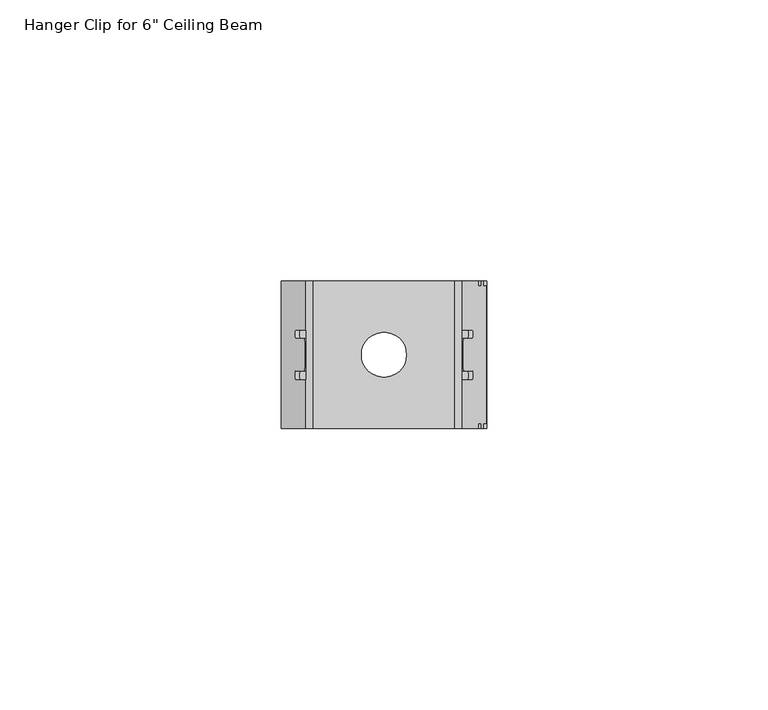
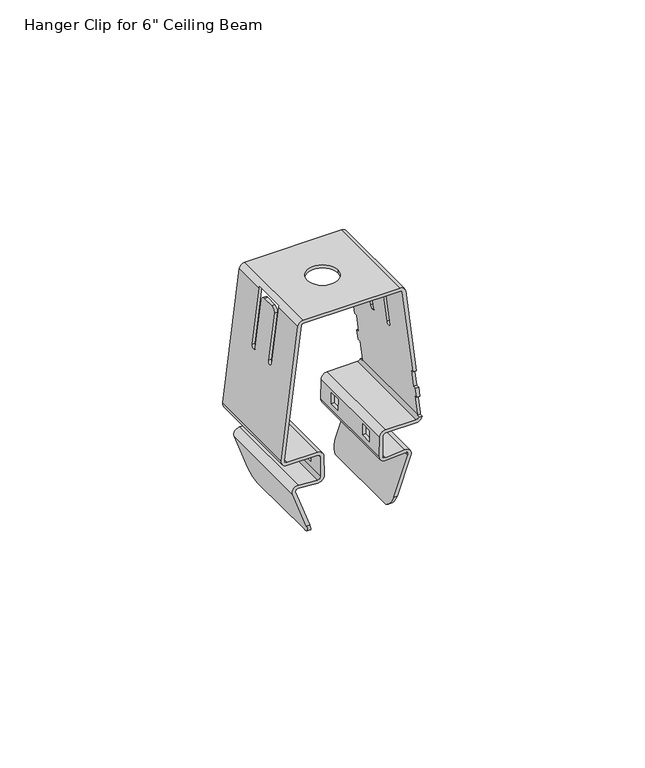
"""IFC4 building model written with IfcOpenShell, lengths in millimetres: proxy geometry."""

from ifc_helpers import new_model, si_unit, frame, origin, place, context, project, spatial, polyline, circle_curve, ellipse_curve, source, transform, mapped, element, save
from ifc_brep_helpers import plane_surface, cylinder_surface, revolved_surface, advanced_brep


def proxy_375622e8(model_context):
    return source(origin(), model_context, "Body", "AdvancedBrep", [
        advanced_brep(
        [(28.4451199, -13.145, 142.6422702), (26.9049962, -13.145, 144.683675), (21.8938975, -13.145, 144.3275562), (21.0779975, -13.145, 145.100938), (21.1703061, -13.145, 150.3892987), (21.9321901, -13.145, 151.138), (29.8768681, -13.145, 151.138), (31.3781782, -13.145, 152.4), (30.5410608, -13.145, 152.4), (29.8768681, -13.145, 151.948), (21.9321901, -13.145, 151.948), (20.3604295, -13.145, 150.4034352), (20.2681208, -13.145, 145.1150744), (21.9513162, -13.145, 143.5195939), (26.9624149, -13.145, 143.8757127), (27.6839689, -13.145, 142.9193065), (23.9835423, -13.145, 132.752468), (24.8455263, -13.145, 132.752468), (27.044677, -13.145, 188.2335409), (25.6580901, -13.145, 189.4602895), (0.5419099, -13.145, 189.4602895), (-0.844677, -13.145, 188.2335409), (-5.1895084, -13.145, 152.8477289), (-3.6768681, -13.145, 151.138), (4.2678099, -13.145, 151.138), (5.0296939, -13.145, 150.3892987), (5.1220025, -13.145, 145.100938), (4.3061025, -13.145, 144.3275562), (-0.7049962, -13.145, 144.683675), (-2.2451199, -13.145, 142.6422702), (1.3544737, -13.145, 132.752468), (2.2164577, -13.145, 132.752468), (-1.4839689, -13.145, 142.9193065), (-0.7624149, -13.145, 143.8757127), (4.2486838, -13.145, 143.5195939), (5.9318792, -13.145, 145.1150744), (5.8395705, -13.145, 150.4034352), (4.2678099, -13.145, 151.948), (-3.6768681, -13.145, 151.948), (-4.3855461, -13.145, 152.7490147), (-0.0407147, -13.145, 188.1348268), (0.5419099, -13.145, 188.6502895), (25.6580901, -13.145, 188.6502895), (26.2407147, -13.145, 188.1348268), (29.0322004, -13.145, 165.4), (29.8482833, -13.145, 165.4), (30.7522127, -13.145, 158.0380864), (30.4299883, -13.145, 160.6623931), (29.6139054, -13.145, 160.6623931), (29.9361297, -13.145, 158.0380864), (27.6839689, 13.145, 142.9193065), (26.9624149, 13.145, 143.8757127), (21.9513162, 13.145, 143.5195939), (20.2681208, 13.145, 145.1150744), (20.3604295, 13.145, 150.4034352), (21.9321901, 13.145, 151.948), (29.8768681, 13.145, 151.948), (30.5410608, 13.145, 152.4), (31.3781782, 13.145, 152.4), (29.8768681, 13.145, 151.138), (21.9321901, 13.145, 151.138), (21.1703061, 13.145, 150.3892987), (21.0779975, 13.145, 145.100938), (21.8938975, 13.145, 144.3275562), (26.9049962, 13.145, 144.683675), (28.4451199, 13.145, 142.6422702), (24.8455263, 13.145, 132.752468), (23.9835423, 13.145, 132.752468), (26.2407147, 13.145, 188.1348268), (25.6580901, 13.145, 188.6502895), (0.5419099, 13.145, 188.6502895), (-0.0407147, 13.145, 188.1348268), (-4.3855461, 13.145, 152.7490147), (-3.6768681, 13.145, 151.948), (4.2678099, 13.145, 151.948), (5.8395705, 13.145, 150.4034352), (5.9318792, 13.145, 145.1150744), (4.2486838, 13.145, 143.5195939), (-0.7624149, 13.145, 143.8757127), (-1.4839689, 13.145, 142.9193065), (2.2164577, 13.145, 132.752468), (1.3544737, 13.145, 132.752468), (-2.2451199, 13.145, 142.6422702), (-0.7049962, 13.145, 144.683675), (4.3061025, 13.145, 144.3275562), (5.1220025, 13.145, 145.100938), (5.0296939, 13.145, 150.3892987), (4.2678099, 13.145, 151.138), (-3.6768681, 13.145, 151.138), (-5.1895084, 13.145, 152.8477289), (-0.844677, 13.145, 188.2335409), (0.5419099, 13.145, 189.4602895), (25.6580901, 13.145, 189.4602895), (27.044677, 13.145, 188.2335409), (29.8482833, 13.145, 165.4), (29.0322004, 13.145, 165.4), (29.9361297, 13.145, 158.0380864), (29.6139054, 13.145, 160.6623931), (30.4299883, 13.145, 160.6623931), (30.7522127, 13.145, 158.0380864), (21.1021925, 5.5649765, 146.4870692), (21.1545577, 5.5649765, 149.4870692), (21.1545577, 8.5649765, 149.4870692), (21.1021925, 8.5649765, 146.4870692), (21.1545577, -8.5649765, 149.4870692), (21.1545577, -5.5649765, 149.4870692), (21.1021925, -5.5649765, 146.4870692), (21.1021925, -8.5649765, 146.4870692), (31.3781782, 12.245, 152.4), (31.3895084, 12.245, 152.8477289), (31.3895084, -12.245, 152.8477289), (31.3781782, -12.245, 152.4), (27.044677, 4.445, 188.2335409), (28.8693791, 4.445, 173.3725352), (28.8693791, 2.921, 173.3725352), (27.3478871, 2.921, 185.7640928), (27.1987644, 1.651, 186.9785999), (27.1987644, -1.651, 186.9785999), (27.3478871, -2.921, 185.7640928), (28.8683122, -2.921, 173.3812245), (28.8693791, -4.445, 173.3725352), (27.044677, -4.445, 188.2335409), (29.8482833, -12.245, 165.4), (30.4299883, -12.245, 160.6623931), (30.7522127, -12.245, 158.0380864), (30.7522127, 12.245, 158.0380864), (30.4299883, 12.245, 160.6623931), (29.8482833, 12.245, 165.4), (26.9257809, -4.445, 188.6502895), (26.9257809, 4.445, 188.6502895), (9.1, 0.0, 189.4602895), (17.1, 0.0, 189.4602895), (-0.844677, 4.445, 188.2335409), (-0.7257809, 4.445, 188.6502895), (-0.7257809, -4.445, 188.6502895), (-0.844677, -4.445, 188.2335409), (-2.6693791, -4.445, 173.3725352), (-2.6683122, -2.921, 173.3812245), (-1.1478871, -2.921, 185.7640928), (-0.9987644, -1.651, 186.9785999), (-0.9987644, 1.651, 186.9785999), (-1.1478871, 2.921, 185.7640928), (-2.6693791, 2.921, 173.3725352), (-2.6693791, 4.445, 173.3725352), (5.0454423, 5.5649765, 149.4870692), (5.0978075, 5.5649765, 146.4870692), (5.0978075, 8.5649765, 146.4870692), (5.0454423, 8.5649765, 149.4870692), (5.0454423, -5.5649765, 149.4870692), (5.0454423, -8.5649765, 149.4870692), (5.0978075, -8.5649765, 146.4870692), (5.0978075, -5.5649765, 146.4870692), (2.4466015, 10.1552022, 129.7518714), (2.4466015, -10.1552022, 129.7518714), (3.2077526, 11.3428624, 130.0289077), (3.2077526, -11.3428624, 130.0289077), (5.9079309, 5.5649765, 146.4870692), (5.8555657, 5.5649765, 149.4870692), (5.8555657, 8.5649765, 149.4870692), (5.9079309, 8.5649765, 146.4870692), (5.8555657, -8.5649765, 149.4870692), (5.8555657, -5.5649765, 149.4870692), (5.9079309, -5.5649765, 146.4870692), (5.9079309, -8.5649765, 146.4870692), (-0.0407147, 4.445, 188.1348268), (-1.8532962, 4.445, 173.3725352), (-1.8532962, 2.921, 173.3725352), (-0.3318042, 2.921, 185.7640928), (-0.1826815, 1.651, 186.9785999), (-0.1826815, -1.651, 186.9785999), (-0.3318042, -2.921, 185.7640928), (-1.8522292, -2.921, 173.3812245), (-1.8532962, -4.445, 173.3725352), (-0.0407147, -4.445, 188.1348268), (0.5419099, -4.445, 188.6502895), (0.5419099, 4.445, 188.6502895), (25.6580901, 4.445, 188.6502895), (25.6580901, -4.445, 188.6502895), (17.1, 0.0, 188.6502895), (9.1, 0.0, 188.6502895), (26.2407147, -4.445, 188.1348268), (26.2407147, 4.445, 188.1348268), (29.0322004, 12.245, 165.4), (29.6139054, 12.245, 160.6623931), (29.9361297, 12.245, 158.0380864), (30.5855461, 12.245, 152.7490147), (30.5855461, -12.245, 152.7490147), (29.9361297, -12.245, 158.0380864), (29.6139054, -12.245, 160.6623931), (29.0322004, -12.245, 165.4), (28.0532962, -4.445, 173.3725352), (28.0522292, -2.921, 173.3812245), (26.5318042, -2.921, 185.7640928), (26.3826815, -1.651, 186.9785999), (26.3826815, 1.651, 186.9785999), (26.5318042, 2.921, 185.7640928), (28.0532962, 2.921, 173.3725352), (28.0532962, 4.445, 173.3725352), (30.5410608, -12.245, 152.4), (30.5410608, 12.245, 152.4), (20.3444343, 5.5649765, 149.4870692), (20.2920691, 5.5649765, 146.4870692), (20.2920691, 8.5649765, 146.4870692), (20.3444343, 8.5649765, 149.4870692), (20.3444343, -5.5649765, 149.4870692), (20.3444343, -8.5649765, 149.4870692), (20.2920691, -8.5649765, 146.4870692), (20.2920691, -5.5649765, 146.4870692), (22.9922474, 11.3428624, 130.0289077), (22.9922474, -11.3428624, 130.0289077), (23.7533985, 10.1552022, 129.7518714), (23.7533985, -10.1552022, 129.7518714)],
        [
            (0, 1, circle_curve(frame((27.0130284, -13.145, 143.1635089), z_axis=(0.0, -1.0, 0.0), x_axis=(-1.0, 0.0, 0.0)), 1.524)),
            (1, 2),
            (2, 3, circle_curve(frame((21.8398814, -13.145, 145.0876392), z_axis=(0.0, 1.0, 0.0), x_axis=(-1.0, 0.0, 0.0)), 0.762)),
            (3, 4),
            (4, 5, circle_curve(frame((21.9321901, -13.145, 150.376), z_axis=(0.0, 1.0, 0.0), x_axis=(-1.0, 0.0, 0.0)), 0.762)),
            (5, 6),
            (6, 7, circle_curve(frame((29.8768681, -13.145, 152.662), z_axis=(0.0, -1.0, 0.0), x_axis=(-1.0, 0.0, 0.0)), 1.524)),
            (7, 8),
            (8, 9, circle_curve(frame((29.8768681, -13.145, 152.662), z_axis=(0.0, 1.0, 0.0), x_axis=(-1.0, 0.0, 0.0)), 0.714)),
            (9, 10),
            (10, 11, circle_curve(frame((21.9321901, -13.145, 150.376), z_axis=(0.0, -1.0, 0.0), x_axis=(-1.0, 0.0, 0.0)), 1.572)),
            (11, 12),
            (12, 13, circle_curve(frame((21.8398814, -13.145, 145.0876392), z_axis=(0.0, -1.0, 0.0), x_axis=(-1.0, 0.0, 0.0)), 1.572)),
            (13, 14),
            (14, 15, circle_curve(frame((27.0130284, -13.145, 143.1635089), z_axis=(0.0, 1.0, 0.0), x_axis=(-1.0, 0.0, 0.0)), 0.714)),
            (15, 16),
            (16, 17),
            (17, 0),
            (18, 19, circle_curve(frame((25.6580901, -13.145, 188.0632895), z_axis=(0.0, -1.0, 0.0), x_axis=(-1.0, 0.0, 0.0)), 1.397)),
            (19, 20),
            (20, 21, circle_curve(frame((0.5419099, -13.145, 188.0632895), z_axis=(0.0, -1.0, 0.0), x_axis=(-1.0, 0.0, 0.0)), 1.397)),
            (21, 22),
            (22, 23, circle_curve(frame((-3.6768681, -13.145, 152.662), z_axis=(0.0, -1.0, 0.0), x_axis=(-1.0, 0.0, 0.0)), 1.524)),
            (23, 24),
            (24, 25, circle_curve(frame((4.2678099, -13.145, 150.376), z_axis=(0.0, 1.0, 0.0), x_axis=(-1.0, 0.0, 0.0)), 0.762)),
            (25, 26),
            (26, 27, circle_curve(frame((4.3601186, -13.145, 145.0876392), z_axis=(0.0, 1.0, 0.0), x_axis=(-1.0, 0.0, 0.0)), 0.762)),
            (27, 28),
            (28, 29, circle_curve(frame((-0.8130284, -13.145, 143.1635089), z_axis=(0.0, -1.0, 0.0), x_axis=(-1.0, 0.0, 0.0)), 1.524)),
            (29, 30),
            (30, 31),
            (31, 32),
            (32, 33, circle_curve(frame((-0.8130284, -13.145, 143.1635089), z_axis=(0.0, 1.0, 0.0), x_axis=(-1.0, 0.0, 0.0)), 0.714)),
            (33, 34),
            (34, 35, circle_curve(frame((4.3601186, -13.145, 145.0876392), z_axis=(0.0, -1.0, 0.0), x_axis=(-1.0, 0.0, 0.0)), 1.572)),
            (35, 36),
            (36, 37, circle_curve(frame((4.2678099, -13.145, 150.376), z_axis=(0.0, -1.0, 0.0), x_axis=(-1.0, 0.0, 0.0)), 1.572)),
            (37, 38),
            (38, 39, circle_curve(frame((-3.6768681, -13.145, 152.662), z_axis=(0.0, 1.0, 0.0), x_axis=(-1.0, 0.0, 0.0)), 0.714)),
            (39, 40),
            (40, 41, circle_curve(frame((0.5419099, -13.145, 188.0632895), z_axis=(0.0, 1.0, 0.0), x_axis=(-1.0, 0.0, 0.0)), 0.587)),
            (41, 42),
            (42, 43, circle_curve(frame((25.6580901, -13.145, 188.0632895), z_axis=(0.0, 1.0, 0.0), x_axis=(-1.0, 0.0, 0.0)), 0.587)),
            (43, 44),
            (44, 45),
            (45, 18),
            (46, 47),
            (47, 48),
            (48, 49),
            (49, 46),
            (50, 51, circle_curve(frame((27.0130284, 13.145, 143.1635089), z_axis=(0.0, -1.0, 0.0), x_axis=(-1.0, 0.0, 0.0)), 0.714)),
            (51, 52),
            (52, 53, circle_curve(frame((21.8398814, 13.145, 145.0876392), z_axis=(0.0, 1.0, 0.0), x_axis=(-1.0, 0.0, 0.0)), 1.572)),
            (53, 54),
            (54, 55, circle_curve(frame((21.9321901, 13.145, 150.376), z_axis=(0.0, 1.0, 0.0), x_axis=(-1.0, 0.0, 0.0)), 1.572)),
            (55, 56),
            (56, 57, circle_curve(frame((29.8768681, 13.145, 152.662), z_axis=(0.0, -1.0, 0.0), x_axis=(-1.0, 0.0, 0.0)), 0.714)),
            (57, 58),
            (58, 59, circle_curve(frame((29.8768681, 13.145, 152.662), z_axis=(0.0, 1.0, 0.0), x_axis=(-1.0, 0.0, 0.0)), 1.524)),
            (59, 60),
            (60, 61, circle_curve(frame((21.9321901, 13.145, 150.376), z_axis=(0.0, -1.0, 0.0), x_axis=(-1.0, 0.0, 0.0)), 0.762)),
            (61, 62),
            (62, 63, circle_curve(frame((21.8398814, 13.145, 145.0876392), z_axis=(0.0, -1.0, 0.0), x_axis=(-1.0, 0.0, 0.0)), 0.762)),
            (63, 64),
            (64, 65, circle_curve(frame((27.0130284, 13.145, 143.1635089), z_axis=(0.0, 1.0, 0.0), x_axis=(-1.0, 0.0, 0.0)), 1.524)),
            (65, 66),
            (66, 67),
            (67, 50),
            (68, 69, circle_curve(frame((25.6580901, 13.145, 188.0632895), z_axis=(0.0, -1.0, 0.0), x_axis=(-1.0, 0.0, 0.0)), 0.587)),
            (69, 70),
            (70, 71, circle_curve(frame((0.5419099, 13.145, 188.0632895), z_axis=(0.0, -1.0, 0.0), x_axis=(-1.0, 0.0, 0.0)), 0.587)),
            (71, 72),
            (72, 73, circle_curve(frame((-3.6768681, 13.145, 152.662), z_axis=(0.0, -1.0, 0.0), x_axis=(-1.0, 0.0, 0.0)), 0.714)),
            (73, 74),
            (74, 75, circle_curve(frame((4.2678099, 13.145, 150.376), z_axis=(0.0, 1.0, 0.0), x_axis=(-1.0, 0.0, 0.0)), 1.572)),
            (75, 76),
            (76, 77, circle_curve(frame((4.3601186, 13.145, 145.0876392), z_axis=(0.0, 1.0, 0.0), x_axis=(-1.0, 0.0, 0.0)), 1.572)),
            (77, 78),
            (78, 79, circle_curve(frame((-0.8130284, 13.145, 143.1635089), z_axis=(0.0, -1.0, 0.0), x_axis=(-1.0, 0.0, 0.0)), 0.714)),
            (79, 80),
            (80, 81),
            (81, 82),
            (82, 83, circle_curve(frame((-0.8130284, 13.145, 143.1635089), z_axis=(0.0, 1.0, 0.0), x_axis=(-1.0, 0.0, 0.0)), 1.524)),
            (83, 84),
            (84, 85, circle_curve(frame((4.3601186, 13.145, 145.0876392), z_axis=(0.0, -1.0, 0.0), x_axis=(-1.0, 0.0, 0.0)), 0.762)),
            (85, 86),
            (86, 87, circle_curve(frame((4.2678099, 13.145, 150.376), z_axis=(0.0, -1.0, 0.0), x_axis=(-1.0, 0.0, 0.0)), 0.762)),
            (87, 88),
            (88, 89, circle_curve(frame((-3.6768681, 13.145, 152.662), z_axis=(0.0, 1.0, 0.0), x_axis=(-1.0, 0.0, 0.0)), 1.524)),
            (89, 90),
            (90, 91, circle_curve(frame((0.5419099, 13.145, 188.0632895), z_axis=(0.0, 1.0, 0.0), x_axis=(-1.0, 0.0, 0.0)), 1.397)),
            (91, 92),
            (92, 93, circle_curve(frame((25.6580901, 13.145, 188.0632895), z_axis=(0.0, 1.0, 0.0), x_axis=(-1.0, 0.0, 0.0)), 1.397)),
            (93, 94),
            (94, 95),
            (95, 68),
            (96, 97),
            (97, 98),
            (98, 99),
            (99, 96),
            (0, 65),
            (64, 1),
            (63, 2),
            (62, 3),
            (61, 4),
            (100, 101),
            (101, 102),
            (102, 103),
            (103, 100),
            (104, 105),
            (105, 106),
            (106, 107),
            (107, 104),
            (60, 5),
            (59, 6),
            (58, 108),
            (108, 109, circle_curve(frame((29.8768681, 12.245, 152.662), z_axis=(0.0, -1.0, 0.0), x_axis=(-1.0, 0.0, 0.0)), 1.524)),
            (109, 110),
            (110, 111, circle_curve(frame((29.8768681, -12.245, 152.662), z_axis=(0.0, 1.0, 0.0), x_axis=(-1.0, 0.0, 0.0)), 1.524)),
            (111, 7),
            (93, 112),
            (112, 113),
            (113, 114, ellipse_curve(frame((28.8688456, 3.683, 173.3768799), z_axis=(-0.9925461516413255, 0.0, -0.1218693434051193), x_axis=(0.12186934340511875, 0.0, -0.9925461516413258)), 0.767735, 0.7620124)),
            (114, 115),
            (115, 116, ellipse_curve(frame((27.3513718, 1.6781403, 185.7357125), z_axis=(0.9925461516413255, 0.0, 0.1218693434051193), x_axis=(-0.12186934340511875, 0.0, 0.9925461516413258)), 1.2525198, 1.2431837)),
            (116, 117),
            (117, 118, ellipse_curve(frame((27.3513718, -1.6781403, 185.7357125), z_axis=(0.9925461516413255, 0.0, 0.1218693434051193), x_axis=(-0.12186934340511875, 0.0, 0.9925461516413258)), 1.2525198, 1.2431837)),
            (118, 119),
            (119, 120, ellipse_curve(frame((28.8688456, -3.683, 173.3768799), z_axis=(-0.9925461516413255, 0.0, -0.1218693434051193), x_axis=(0.12186934340511875, 0.0, -0.9925461516413258)), 0.767735, 0.7620124)),
            (120, 121),
            (121, 18),
            (45, 122),
            (122, 123),
            (123, 47),
            (46, 124),
            (124, 110),
            (109, 125),
            (125, 99),
            (98, 126),
            (126, 127),
            (127, 94),
            (121, 128, circle_curve(frame((25.6580901, -4.445, 188.0632895), z_axis=(0.0, -1.0, 0.0), x_axis=(-1.0, 0.0, 0.0)), 1.397)),
            (128, 129),
            (129, 112, circle_curve(frame((25.6580901, 4.445, 188.0632895), z_axis=(0.0, 1.0, 0.0), x_axis=(-1.0, 0.0, 0.0)), 1.397)),
            (92, 19),
            (91, 20),
            (130, 131, circle_curve(frame((13.1, 0.0, 189.4602895), z_axis=(0.0, 0.0, -1.0), x_axis=(1.0, 0.0, 0.0)), 4.0)),
            (131, 130, circle_curve(frame((13.1, 0.0, 189.4602895), z_axis=(0.0, 0.0, -1.0), x_axis=(1.0, 0.0, 0.0)), 4.0)),
            (90, 132),
            (132, 133, circle_curve(frame((0.5419099, 4.445, 188.0632895), z_axis=(0.0, 1.0, 0.0), x_axis=(-1.0, 0.0, 0.0)), 1.397)),
            (133, 134),
            (134, 135, circle_curve(frame((0.5419099, -4.445, 188.0632895), z_axis=(0.0, -1.0, 0.0), x_axis=(-1.0, 0.0, 0.0)), 1.397)),
            (135, 21),
            (135, 136),
            (136, 137, ellipse_curve(frame((-2.6688456, -3.683, 173.3768799), z_axis=(0.9925461516413226, 0.0, -0.12186934340514273), x_axis=(0.12186934340514266, 0.0, 0.9925461516413225)), 0.767735, 0.7620124)),
            (137, 138),
            (138, 139, ellipse_curve(frame((-1.1513718, -1.6781403, 185.7357125), z_axis=(-0.9925461516413226, 0.0, 0.12186934340514273), x_axis=(-0.12186934340514266, 0.0, -0.9925461516413225)), 1.2525198, 1.2431837)),
            (139, 140),
            (140, 141, ellipse_curve(frame((-1.1513718, 1.6781403, 185.7357125), z_axis=(-0.9925461516413226, 0.0, 0.12186934340514273), x_axis=(-0.12186934340514266, 0.0, -0.9925461516413225)), 1.2525198, 1.2431837)),
            (141, 142),
            (142, 143, ellipse_curve(frame((-2.6688456, 3.683, 173.3768799), z_axis=(0.9925461516413226, 0.0, -0.12186934340514273), x_axis=(0.12186934340514266, 0.0, 0.9925461516413225)), 0.767735, 0.7620124)),
            (143, 132),
            (89, 22),
            (88, 23),
            (87, 24),
            (86, 25),
            (85, 26),
            (144, 145),
            (145, 146),
            (146, 147),
            (147, 144),
            (148, 149),
            (149, 150),
            (150, 151),
            (151, 148),
            (84, 27),
            (83, 28),
            (82, 29),
            (81, 152, ellipse_curve(frame((1.3247236, 10.0623511, 132.8342056), z_axis=(-0.9396926207858912, 0.0, -0.3420201433257159), x_axis=(-0.3420201433257159, 0.0, 0.9396926207858911)), 3.2816394, 3.0837323)),
            (152, 153),
            (153, 30, ellipse_curve(frame((1.3247236, -10.0623511, 132.8342056), z_axis=(-0.9396926207858912, 0.0, -0.3420201433257159), x_axis=(-0.3420201433257159, 0.0, 0.9396926207858911)), 3.2816394, 3.0837323)),
            (152, 154, ellipse_curve(frame((10.915245, 10.0623511, 132.8342056), z_axis=(0.3420201433256964, 0.0, -0.9396926207858983), x_axis=(-0.9396926207858983, 0.0, -0.3420201433256964)), 9.0162302, 3.0837323)),
            (154, 155),
            (155, 153, ellipse_curve(frame((10.915245, -10.0623511, 132.8342056), z_axis=(0.3420201433256964, 0.0, -0.9396926207858983), x_axis=(-0.9396926207858983, 0.0, -0.3420201433256964)), 9.0162302, 3.0837323)),
            (79, 32),
            (31, 155, ellipse_curve(frame((2.1867076, -10.0623511, 132.8342056), z_axis=(0.9396926207858942, 0.0, 0.34202014332570757), x_axis=(-0.3420201433257077, 0.0, 0.9396926207858943)), 3.2816394, 3.0837323)),
            (154, 80, ellipse_curve(frame((2.1867076, 10.0623511, 132.8342056), z_axis=(0.9396926207858942, 0.0, 0.34202014332570757), x_axis=(-0.3420201433257077, 0.0, 0.9396926207858943)), 3.2816394, 3.0837323)),
            (78, 33),
            (77, 34),
            (76, 35),
            (75, 36),
            (156, 157),
            (157, 158),
            (158, 159),
            (159, 156),
            (160, 161),
            (161, 162),
            (162, 163),
            (163, 160),
            (74, 37),
            (73, 38),
            (72, 39),
            (71, 164),
            (164, 165),
            (165, 166, ellipse_curve(frame((-1.8527627, 3.683, 173.3768799), z_axis=(-0.9925461516413233, 0.0, 0.12186934340513758), x_axis=(0.12186934340513687, 0.0, 0.9925461516413233)), 0.767735, 0.7620124)),
            (166, 167),
            (167, 168, ellipse_curve(frame((-0.3352889, 1.6781403, 185.7357125), z_axis=(0.9925461516413233, 0.0, -0.12186934340513758), x_axis=(-0.12186934340513687, 0.0, -0.9925461516413233)), 1.2525198, 1.2431837)),
            (168, 169),
            (169, 170, ellipse_curve(frame((-0.3352889, -1.6781403, 185.7357125), z_axis=(0.9925461516413233, 0.0, -0.12186934340513758), x_axis=(-0.12186934340513687, 0.0, -0.9925461516413233)), 1.2525198, 1.2431837)),
            (170, 171),
            (171, 172, ellipse_curve(frame((-1.8527627, -3.683, 173.3768799), z_axis=(-0.9925461516413233, 0.0, 0.12186934340513758), x_axis=(0.12186934340513687, 0.0, 0.9925461516413233)), 0.767735, 0.7620124)),
            (172, 173),
            (173, 40),
            (173, 174, circle_curve(frame((0.5419099, -4.445, 188.0632895), z_axis=(0.0, 1.0, 0.0), x_axis=(-1.0, 0.0, 0.0)), 0.587)),
            (174, 41),
            (70, 175),
            (175, 164, circle_curve(frame((0.5419099, 4.445, 188.0632895), z_axis=(0.0, -1.0, 0.0), x_axis=(-1.0, 0.0, 0.0)), 0.587)),
            (174, 134),
            (133, 175),
            (69, 176),
            (176, 129),
            (128, 177),
            (177, 42),
            (178, 179, circle_curve(frame((13.1, 0.0, 188.6502895), z_axis=(0.0, 0.0, 1.0), x_axis=(1.0, 0.0, 0.0)), 4.0)),
            (179, 178, circle_curve(frame((13.1, 0.0, 188.6502895), z_axis=(0.0, 0.0, 1.0), x_axis=(1.0, 0.0, 0.0)), 4.0)),
            (177, 180, circle_curve(frame((25.6580901, -4.445, 188.0632895), z_axis=(0.0, 1.0, 0.0), x_axis=(-1.0, 0.0, 0.0)), 0.587)),
            (180, 43),
            (68, 181),
            (181, 176, circle_curve(frame((25.6580901, 4.445, 188.0632895), z_axis=(0.0, -1.0, 0.0), x_axis=(-1.0, 0.0, 0.0)), 0.587)),
            (95, 182),
            (182, 183),
            (183, 97),
            (96, 184),
            (184, 185),
            (185, 186),
            (186, 187),
            (187, 49),
            (48, 188),
            (188, 189),
            (189, 44),
            (180, 190),
            (190, 191, ellipse_curve(frame((28.0527627, -3.683, 173.3768799), z_axis=(0.9925461516413249, 0.0, 0.12186934340512441), x_axis=(0.12186934340512454, 0.0, -0.9925461516413248)), 0.767735, 0.7620124)),
            (191, 192),
            (192, 193, ellipse_curve(frame((26.5352889, -1.6781403, 185.7357125), z_axis=(-0.9925461516413249, 0.0, -0.12186934340512441), x_axis=(-0.12186934340512454, 0.0, 0.9925461516413248)), 1.2525198, 1.2431837)),
            (193, 194),
            (194, 195, ellipse_curve(frame((26.5352889, 1.6781403, 185.7357125), z_axis=(-0.9925461516413249, 0.0, -0.12186934340512441), x_axis=(-0.12186934340512454, 0.0, 0.9925461516413248)), 1.2525198, 1.2431837)),
            (195, 196),
            (196, 197, ellipse_curve(frame((28.0527627, 3.683, 173.3768799), z_axis=(0.9925461516413249, 0.0, 0.12186934340512441), x_axis=(0.12186934340512454, 0.0, -0.9925461516413248)), 0.767735, 0.7620124)),
            (197, 181),
            (56, 9),
            (8, 198),
            (198, 186, circle_curve(frame((29.8768681, -12.245, 152.662), z_axis=(0.0, -1.0, 0.0), x_axis=(-1.0, 0.0, 0.0)), 0.714)),
            (185, 199, circle_curve(frame((29.8768681, 12.245, 152.662), z_axis=(0.0, 1.0, 0.0), x_axis=(-1.0, 0.0, 0.0)), 0.714)),
            (199, 57),
            (55, 10),
            (54, 11),
            (53, 12),
            (200, 201),
            (201, 202),
            (202, 203),
            (203, 200),
            (204, 205),
            (205, 206),
            (206, 207),
            (207, 204),
            (52, 13),
            (51, 14),
            (50, 15),
            (67, 208, ellipse_curve(frame((24.0132924, 10.0623511, 132.8342056), z_axis=(-0.9396926207858846, 0.0, 0.34202014332573416), x_axis=(-0.3420201433257343, 0.0, -0.9396926207858846)), 3.2816394, 3.0837323)),
            (208, 209),
            (209, 16, ellipse_curve(frame((24.0132924, -10.0623511, 132.8342056), z_axis=(-0.9396926207858846, 0.0, 0.34202014332573416), x_axis=(-0.3420201433257343, 0.0, -0.9396926207858846)), 3.2816394, 3.0837323)),
            (208, 210, ellipse_curve(frame((15.284755, 10.0623511, 132.8342056), z_axis=(-0.3420201433257044, 0.0, -0.9396926207858954), x_axis=(-0.9396926207858953, 0.0, 0.3420201433257044)), 9.0162302, 3.0837323)),
            (210, 211),
            (211, 209, ellipse_curve(frame((15.284755, -10.0623511, 132.8342056), z_axis=(-0.3420201433257044, 0.0, -0.9396926207858954), x_axis=(-0.9396926207858953, 0.0, 0.3420201433257044)), 9.0162302, 3.0837323)),
            (17, 211, ellipse_curve(frame((24.8752764, -10.0623511, 132.8342056), z_axis=(0.9396926207858882, 0.0, -0.3420201433257242), x_axis=(-0.3420201433257241, 0.0, -0.9396926207858882)), 3.2816394, 3.0837323)),
            (210, 66, ellipse_curve(frame((24.8752764, 10.0623511, 132.8342056), z_axis=(0.9396926207858882, 0.0, -0.3420201433257242), x_axis=(-0.3420201433257241, 0.0, -0.9396926207858882)), 3.2816394, 3.0837323)),
            (143, 165),
            (197, 113),
            (172, 136),
            (120, 190),
            (119, 191),
            (171, 137),
            (170, 138),
            (118, 192),
            (169, 139),
            (117, 193),
            (168, 140),
            (116, 194),
            (167, 141),
            (115, 195),
            (166, 142),
            (114, 196),
            (130, 179),
            (178, 131),
            (144, 157),
            (156, 145),
            (200, 101),
            (100, 201),
            (159, 146),
            (103, 202),
            (158, 147),
            (102, 203),
            (148, 161),
            (160, 149),
            (204, 105),
            (104, 205),
            (163, 150),
            (107, 206),
            (162, 151),
            (106, 207),
            (182, 127),
            (126, 183),
            (199, 108),
            (125, 184),
            (189, 122),
            (111, 198),
            (124, 187),
            (123, 188),
        ],
        [
            plane_surface(frame((25.4890284, -13.145, 143.1635089), z_axis=(0.0, -1.0, 0.0), x_axis=(0.0, 0.0, -1.0))),
            plane_surface(frame((25.4890284, 13.145, 143.1635089), z_axis=(0.0, 1.0, 0.0), x_axis=(0.0, 0.0, 1.0))),
            cylinder_surface(frame((27.0130284, 13.145, 143.1635089), z_axis=(0.0, -1.0, 0.0), x_axis=(-1.0, 0.0, 0.0)), 1.524),
            plane_surface(frame((26.9049962, -13.145, 144.683675), z_axis=(-0.07088724967761863, 0.0, 0.9974843346304457), x_axis=(0.0, 1.0, 0.0))),
            revolved_surface(polyline([(21.0778814, 13.145, 145.0876392), (21.0778814, -13.145, 145.0876392)]), (21.8398814, 13.145, 145.0876392), (0.0, 1.0, 0.0)),
            plane_surface(frame((21.0779975, -13.145, 145.100938), z_axis=(0.9998476951563916, 0.0, -0.017452406437269783), x_axis=(0.0, 1.0, 0.0))),
            revolved_surface(polyline([(21.1701901, 13.145, 150.376), (21.1701901, -13.145, 150.376)]), (21.9321901, 13.145, 150.376), (0.0, 1.0, 0.0)),
            plane_surface(frame((21.9321901, -13.145, 151.138), z_axis=(0.0, 0.0, -1.0), x_axis=(0.0, 1.0, 0.0))),
            cylinder_surface(frame((29.8768681, 13.145, 152.662), z_axis=(0.0, -1.0, 0.0), x_axis=(-1.0, 0.0, 0.0)), 1.524),
            plane_surface(frame((31.3895084, -13.145, 152.8477289), z_axis=(0.9925461516413255, 0.0, 0.1218693434051193), x_axis=(0.0, 1.0, 0.0))),
            cylinder_surface(frame((25.6580901, 13.145, 188.0632895), z_axis=(0.0, -1.0, 0.0), x_axis=(-1.0, 0.0, 0.0)), 1.397),
            plane_surface(frame((25.6580901, -13.145, 189.4602895), z_axis=(0.0, 0.0, 1.0), x_axis=(0.0, 1.0, 0.0))),
            cylinder_surface(frame((0.5419099, 13.145, 188.0632895), z_axis=(0.0, -1.0, 0.0), x_axis=(-1.0, 0.0, 0.0)), 1.397),
            plane_surface(frame((-0.844677, -13.145, 188.2335409), z_axis=(-0.9925461516413226, 0.0, 0.12186934340514273), x_axis=(0.0, 1.0, 0.0))),
            cylinder_surface(frame((-3.6768681, 13.145, 152.662), z_axis=(0.0, -1.0, 0.0), x_axis=(-1.0, 0.0, 0.0)), 1.524),
            plane_surface(frame((-3.6768681, -13.145, 151.138), z_axis=(0.0, 0.0, -1.0), x_axis=(0.0, 1.0, 0.0))),
            revolved_surface(polyline([(3.5058098999999996, 13.145, 150.376), (3.5058098999999996, -13.145, 150.376)]), (4.2678099, 13.145, 150.376), (0.0, 1.0, 0.0)),
            plane_surface(frame((5.0296939, -13.145, 150.3892987), z_axis=(-0.9998476951563917, 0.0, -0.01745240643725819), x_axis=(0.0, 1.0, 0.0))),
            revolved_surface(polyline([(3.5981186, 13.145, 145.0876392), (3.5981186, -13.145, 145.0876392)]), (4.3601186, 13.145, 145.0876392), (0.0, 1.0, 0.0)),
            plane_surface(frame((4.3061025, -13.145, 144.3275562), z_axis=(0.07088724967754818, 0.0, 0.9974843346304507), x_axis=(0.0, 1.0, 0.0))),
            cylinder_surface(frame((-0.8130284, 13.145, 143.1635089), z_axis=(0.0, -1.0, 0.0), x_axis=(-1.0, 0.0, 0.0)), 1.524),
            plane_surface(frame((-2.2451199, -13.145, 142.6422702), z_axis=(-0.9396926207858912, 0.0, -0.3420201433257159), x_axis=(0.0, 1.0, 0.0))),
            plane_surface(frame((2.4466015, -13.145, 129.7518714), z_axis=(0.3420201433256964, 0.0, -0.9396926207858983), x_axis=(0.0, 1.0, 0.0))),
            plane_surface(frame((3.2077526, -13.145, 130.0289077), z_axis=(0.9396926207858942, 0.0, 0.34202014332570757), x_axis=(0.0, 1.0, 0.0))),
            revolved_surface(polyline([(-1.5270283999999998, 13.145, 143.1635089), (-1.5270283999999998, -13.145, 143.1635089)]), (-0.8130284, 13.145, 143.1635089), (0.0, 1.0, 0.0)),
            plane_surface(frame((-0.7624149, -13.145, 143.8757127), z_axis=(-0.07088724967764039, 0.0, -0.9974843346304442), x_axis=(0.0, 1.0, 0.0))),
            cylinder_surface(frame((4.3601186, 13.145, 145.0876392), z_axis=(0.0, -1.0, 0.0), x_axis=(-1.0, 0.0, 0.0)), 1.572),
            plane_surface(frame((5.9318792, -13.145, 145.1150744), z_axis=(0.9998476951563918, 0.0, 0.017452406437250167), x_axis=(0.0, 1.0, 0.0))),
            cylinder_surface(frame((4.2678099, 13.145, 150.376), z_axis=(0.0, -1.0, 0.0), x_axis=(-1.0, 0.0, 0.0)), 1.572),
            plane_surface(frame((4.2678099, -13.145, 151.948), z_axis=(0.0, 0.0, 1.0), x_axis=(0.0, 1.0, 0.0))),
            revolved_surface(polyline([(-4.3908681000000005, 13.145, 152.662), (-4.3908681000000005, -13.145, 152.662)]), (-3.6768681, 13.145, 152.662), (0.0, 1.0, 0.0)),
            plane_surface(frame((-4.3855461, -13.145, 152.7490147), z_axis=(0.9925461516413233, 0.0, -0.12186934340513758), x_axis=(0.0, 1.0, 0.0))),
            revolved_surface(polyline([(-0.04509009999999991, -4.445, 188.0632895), (-0.04509009999999991, -13.145, 188.0632895)]), (0.5419099, 13.145, 188.0632895), (0.0, 1.0, 0.0)),
            revolved_surface(polyline([(-0.04509009999999991, 13.145, 188.0632895), (-0.04509009999999991, 4.445, 188.0632895)]), (0.5419099, 13.145, 188.0632895), (0.0, 1.0, 0.0)),
            plane_surface(frame((0.5419099, -13.145, 188.6502895), z_axis=(0.0, 0.0, -1.0), x_axis=(0.0, 1.0, 0.0))),
            revolved_surface(polyline([(25.0710901, -4.445, 188.0632895), (25.0710901, -13.145, 188.0632895)]), (25.6580901, 13.145, 188.0632895), (0.0, 1.0, 0.0)),
            revolved_surface(polyline([(25.0710901, 13.145, 188.0632895), (25.0710901, 4.445, 188.0632895)]), (25.6580901, 13.145, 188.0632895), (0.0, 1.0, 0.0)),
            plane_surface(frame((26.2407147, -13.145, 188.1348268), z_axis=(-0.9925461516413249, 0.0, -0.12186934340512441), x_axis=(0.0, 1.0, 0.0))),
            revolved_surface(polyline([(29.1628681, 13.145, 152.662), (29.1628681, -13.145, 152.662)]), (29.8768681, 13.145, 152.662), (0.0, 1.0, 0.0)),
            plane_surface(frame((29.8768681, -13.145, 151.948), z_axis=(0.0, 0.0, 1.0), x_axis=(0.0, 1.0, 0.0))),
            cylinder_surface(frame((21.9321901, 13.145, 150.376), z_axis=(0.0, -1.0, 0.0), x_axis=(-1.0, 0.0, 0.0)), 1.572),
            plane_surface(frame((20.3604295, -13.145, 150.4034352), z_axis=(-0.9998476951563914, 0.0, 0.017452406437276982), x_axis=(0.0, 1.0, 0.0))),
            cylinder_surface(frame((21.8398814, 13.145, 145.0876392), z_axis=(0.0, -1.0, 0.0), x_axis=(-1.0, 0.0, 0.0)), 1.572),
            plane_surface(frame((21.9513162, -13.145, 143.5195939), z_axis=(0.07088724967752465, 0.0, -0.9974843346304525), x_axis=(0.0, 1.0, 0.0))),
            revolved_surface(polyline([(26.2990284, 13.145, 143.1635089), (26.2990284, -13.145, 143.1635089)]), (27.0130284, 13.145, 143.1635089), (0.0, 1.0, 0.0)),
            plane_surface(frame((27.6839689, -13.145, 142.9193065), z_axis=(-0.9396926207858846, 0.0, 0.34202014332573416), x_axis=(0.0, 1.0, 0.0))),
            plane_surface(frame((22.9922474, -13.145, 130.0289077), z_axis=(-0.3420201433257044, 0.0, -0.9396926207858954), x_axis=(0.0, 1.0, 0.0))),
            plane_surface(frame((23.7533985, -13.145, 129.7518714), z_axis=(0.9396926207858882, 0.0, -0.3420201433257242), x_axis=(0.0, 1.0, 0.0))),
            cylinder_surface(frame((-2.9, 10.0623511, 132.8342056), z_axis=(-1.0000000000000002, 0.0, 0.0), x_axis=(0.0, -0.030109977488840537, -0.9995465918383303)), 3.0837323),
            cylinder_surface(frame((13.1, -10.0623511, 132.8342056), z_axis=(-1.0, 0.0, 0.0), x_axis=(0.0, -0.9994865114664321, -0.03204236877419996)), 3.0837323),
            plane_surface(frame((29.1, 4.445, 173.3725352), z_axis=(0.0, -1.0, 0.0), x_axis=(-1.0, 0.0, 0.0))),
            plane_surface(frame((29.1, -4.445, 188.6502895), z_axis=(0.0, 1.0, 0.0), x_axis=(-1.0, 0.0, 0.0))),
            revolved_surface(polyline([(28.962408960359127, -2.9209999859225717, 173.3812245863822), (27.959199339640865, -2.9209999859225717, 173.3812245863822)]), (13.1, -3.683, 173.3768799), (1.0, 0.0, 0.0)),
            revolved_surface(polyline([(-1.7591993396408565, -2.9209999859225717, 173.3812245863822), (-2.7624089603591457, -2.9209999859225717, 173.3812245863822)]), (13.1, -3.683, 173.3768799), (1.0, 0.0, 0.0)),
            plane_surface(frame((29.1, -2.921, 173.3812245), z_axis=(0.0, -1.0, 0.0), x_axis=(-1.0, 0.0, 0.0))),
            cylinder_surface(frame((13.1, -1.6781403, 185.7357125), z_axis=(-1.0000000000000002, 0.0, 0.0), x_axis=(0.0, 0.02183127508327109, 0.9997616693133613)), 1.2431837),
            plane_surface(frame((29.1, -1.651, 186.9785999), z_axis=(0.0, 0.0, 1.0), x_axis=(-1.0, 0.0, 0.0))),
            cylinder_surface(frame((13.1, 1.6781403, 185.7357125), z_axis=(-1.0, 0.0, 0.0), x_axis=(0.0, 0.9997393893428933, 0.02282878438066445)), 1.2431837),
            plane_surface(frame((29.1, 2.921, 185.7640928), z_axis=(0.0, 1.0, 0.0), x_axis=(-1.0, 0.0, 0.0))),
            revolved_surface(polyline([(-1.7591993396408565, 4.4450000140774275, 173.37253521361782), (-2.7624089603591457, 4.4450000140774275, 173.37253521361782)]), (13.1, 3.683, 173.3768799), (1.0, 0.0, 0.0)),
            revolved_surface(polyline([(28.962408960359127, 4.4450000140774275, 173.37253521361782), (27.959199339640865, 4.4450000140774275, 173.37253521361782)]), (13.1, 3.683, 173.3768799), (1.0, 0.0, 0.0)),
            revolved_surface(polyline([(17.1, 0.0, 188.6502895), (17.1, 0.0, 189.4602895)]), (13.1, 0.0, 194.4602895), (0.0, 0.0, -1.0)),
            plane_surface(frame((22.1, 5.5649765, 149.4870692), z_axis=(0.0, 1.0, 0.0), x_axis=(-1.0, 0.0, 0.0))),
            plane_surface(frame((22.1, 5.5649765, 146.4870692), z_axis=(0.0, 0.0, 1.0), x_axis=(-1.0, 0.0, 0.0))),
            plane_surface(frame((22.1, 8.5649765, 146.4870692), z_axis=(0.0, -1.0, 0.0), x_axis=(-1.0, 0.0, 0.0))),
            plane_surface(frame((22.1, 8.5649765, 149.4870692), z_axis=(0.0, 0.0, -1.0), x_axis=(-1.0, 0.0, 0.0))),
            plane_surface(frame((22.1, -5.5649765, 149.4870692), z_axis=(0.0, 0.0, -1.0), x_axis=(-1.0, 0.0, 0.0))),
            plane_surface(frame((22.1, -8.5649765, 149.4870692), z_axis=(0.0, 1.0, 0.0), x_axis=(-1.0, 0.0, 0.0))),
            plane_surface(frame((22.1, -8.5649765, 146.4870692), z_axis=(0.0, 0.0, 1.0), x_axis=(-1.0, 0.0, 0.0))),
            plane_surface(frame((22.1, -5.5649765, 146.4870692), z_axis=(0.0, -1.0, 0.0), x_axis=(-1.0, 0.0, 0.0))),
            plane_surface(frame((32.1, 12.245, 165.4), z_axis=(0.0, 1.0, 0.0), x_axis=(-1.0, 0.0, 0.0))),
            plane_surface(frame((32.1, 12.245, 152.4), z_axis=(0.0, 0.0, 1.0), x_axis=(-1.0, 0.0, 0.0))),
            plane_surface(frame((32.1, 14.657876, 165.4), z_axis=(0.0, 0.0, -1.0), x_axis=(-1.0, 0.0, 0.0))),
            plane_surface(frame((32.1, 12.245, 160.6623931), z_axis=(0.0, 0.0, 1.0), x_axis=(-1.0, 0.0, 0.0))),
            plane_surface(frame((32.1, 13.145, 158.0380864), z_axis=(0.0, 0.0, -1.0), x_axis=(-1.0, 0.0, 0.0))),
            plane_surface(frame((32.1, 12.245, 158.0380864), z_axis=(0.0, 1.0, 0.0), x_axis=(-1.0, 0.0, 0.0))),
            plane_surface(frame((32.1, -12.245, 165.4), z_axis=(0.0, 0.0, -1.0), x_axis=(-1.0, 0.0, 0.0))),
            plane_surface(frame((32.1, -14.657876, 152.4), z_axis=(0.0, 0.0, 1.0), x_axis=(-1.0, 0.0, 0.0))),
            plane_surface(frame((32.1, -12.245, 152.4), z_axis=(0.0, -1.0, 0.0), x_axis=(-1.0, 0.0, 0.0))),
            plane_surface(frame((32.1, -12.245, 158.0380864), z_axis=(0.0, 0.0, -1.0), x_axis=(-1.0, 0.0, 0.0))),
            plane_surface(frame((32.1, -13.145, 160.6623931), z_axis=(0.0, 0.0, 1.0), x_axis=(-1.0, 0.0, 0.0))),
            plane_surface(frame((32.1, -12.245, 160.6623931), z_axis=(0.0, -1.0, 0.0), x_axis=(-1.0, 0.0, 0.0))),
        ],
        [
            (0, [[1, 2, 3, 4, 5, 6, 7, 8, 9, 10, 11, 12, 13, 14, 15, 16, 17, 18]]),
            (0, [[19, 20, 21, 22, 23, 24, 25, 26, 27, 28, 29, 30, 31, 32, 33, 34, 35, 36, 37, 38, 39, 40, 41, 42, 43, 44, 45, 46]]),
            (0, [[47, 48, 49, 50]]),
            (1, [[51, 52, 53, 54, 55, 56, 57, 58, 59, 60, 61, 62, 63, 64, 65, 66, 67, 68]]),
            (1, [[69, 70, 71, 72, 73, 74, 75, 76, 77, 78, 79, 80, 81, 82, 83, 84, 85, 86, 87, 88, 89, 90, 91, 92, 93, 94, 95, 96]]),
            (1, [[97, 98, 99, 100]]),
            (2, [[-1, 101, -65, 102]]),
            (3, [[-2, -102, -64, 103]]),
            (4, [[-3, -103, -63, 104]]),
            (5, [[-4, -104, -62, 105], [106, 107, 108, 109], [110, 111, 112, 113]]),
            (6, [[-5, -105, -61, 114]]),
            (7, [[-6, -114, -60, 115]]),
            (8, [[-115, -59, 116, 117, 118, 119, 120, -7]]),
            (9, [[121, 122, 123, 124, 125, 126, 127, 128, 129, 130, 131, -46, 132, 133, 134, -47, 135, 136, -118, 137, 138, -99, 139, 140, 141, -94]]),
            (10, [[-19, -131, 142, 143, 144, -121, -93, 145]]),
            (11, [[-20, -145, -92, 146], [147, 148]]),
            (12, [[-21, -146, -91, 149, 150, 151, 152, 153]]),
            (13, [[-22, -153, 154, 155, 156, 157, 158, 159, 160, 161, 162, -149, -90, 163]]),
            (14, [[-23, -163, -89, 164]]),
            (15, [[-24, -164, -88, 165]]),
            (16, [[-25, -165, -87, 166]]),
            (17, [[-26, -166, -86, 167], [168, 169, 170, 171], [172, 173, 174, 175]]),
            (18, [[-27, -167, -85, 176]]),
            (19, [[-28, -176, -84, 177]]),
            (20, [[-29, -177, -83, 178]]),
            (21, [[-178, -82, 179, 180, 181, -30]]),
            (22, [[-180, 182, 183, 184]]),
            (23, [[185, -32, 186, -183, 187, -80]]),
            (24, [[-33, -185, -79, 188]]),
            (25, [[-34, -188, -78, 189]]),
            (26, [[-35, -189, -77, 190]]),
            (27, [[-36, -190, -76, 191], [192, 193, 194, 195], [196, 197, 198, 199]]),
            (28, [[-37, -191, -75, 200]]),
            (29, [[-38, -200, -74, 201]]),
            (30, [[-39, -201, -73, 202]]),
            (31, [[-40, -202, -72, 203, 204, 205, 206, 207, 208, 209, 210, 211, 212, 213]]),
            (32, [[-41, -213, 214, 215]]),
            (33, [[-71, 216, 217, -203]]),
            (34, [[-42, -215, 218, -151, 219, -216, -70, 220, 221, -143, 222, 223], [224, 225]]),
            (35, [[-43, -223, 226, 227]]),
            (36, [[-69, 228, 229, -220]]),
            (37, [[-228, -96, 230, 231, 232, -97, 233, 234, 235, 236, 237, -49, 238, 239, 240, -44, -227, 241, 242, 243, 244, 245, 246, 247, 248, 249]]),
            (38, [[250, -9, 251, 252, -235, 253, 254, -57]]),
            (39, [[-10, -250, -56, 255]]),
            (40, [[-11, -255, -55, 256]]),
            (41, [[-12, -256, -54, 257], [258, 259, 260, 261], [262, 263, 264, 265]]),
            (42, [[-13, -257, -53, 266]]),
            (43, [[-14, -266, -52, 267]]),
            (44, [[-15, -267, -51, 268]]),
            (45, [[-268, -68, 269, 270, 271, -16]]),
            (46, [[-270, 272, 273, 274]]),
            (47, [[-101, -18, 275, -273, 276, -66]]),
            (48, [[-67, -276, -272, -269]]),
            (48, [[-81, -187, -182, -179]]),
            (49, [[-17, -271, -274, -275]]),
            (49, [[-31, -181, -184, -186]]),
            (50, [[277, -204, -217, -219, -150, -162]]),
            (50, [[278, -122, -144, -221, -229, -249]]),
            (51, [[-218, -214, -212, 279, -154, -152]]),
            (51, [[-222, -142, -130, 280, -241, -226]]),
            (52, [[-280, -129, 281, -242]]),
            (53, [[-279, -211, 282, -155]]),
            (54, [[-282, -210, 283, -156]]),
            (54, [[-281, -128, 284, -243]]),
            (55, [[-283, -209, 285, -157]]),
            (55, [[-284, -127, 286, -244]]),
            (56, [[-285, -208, 287, -158]]),
            (56, [[-286, -126, 288, -245]]),
            (57, [[-287, -207, 289, -159]]),
            (57, [[-288, -125, 290, -246]]),
            (58, [[-289, -206, 291, -160]]),
            (58, [[-290, -124, 292, -247]]),
            (59, [[-277, -161, -291, -205]]),
            (60, [[-278, -248, -292, -123]]),
            (61, [[293, -224, 294, -147]]),
            (61, [[-293, -148, -294, -225]]),
            (62, [[295, -192, 296, -168]]),
            (62, [[297, -106, 298, -258]]),
            (63, [[-296, -195, 299, -169]]),
            (63, [[-298, -109, 300, -259]]),
            (64, [[-299, -194, 301, -170]]),
            (64, [[-300, -108, 302, -260]]),
            (65, [[-295, -171, -301, -193]]),
            (65, [[-297, -261, -302, -107]]),
            (66, [[303, -196, 304, -172]]),
            (66, [[305, -110, 306, -262]]),
            (67, [[-304, -199, 307, -173]]),
            (67, [[-306, -113, 308, -263]]),
            (68, [[-307, -198, 309, -174]]),
            (68, [[-308, -112, 310, -264]]),
            (69, [[-303, -175, -309, -197]]),
            (69, [[-305, -265, -310, -111]]),
            (70, [[311, -140, 312, -231]]),
            (71, [[313, -116, -58, -254]]),
            (72, [[-311, -230, -95, -141]]),
            (73, [[-312, -139, -98, -232]]),
            (74, [[314, -233, -100, -138]]),
            (75, [[-313, -253, -234, -314, -137, -117]]),
            (76, [[315, -132, -45, -240]]),
            (77, [[316, -251, -8, -120]]),
            (78, [[-316, -119, -136, 317, -236, -252]]),
            (79, [[-317, -135, -50, -237]]),
            (80, [[318, -238, -48, -134]]),
            (81, [[-315, -239, -318, -133]]),
        ],
    ),
    ])


if __name__ == "__main__":
    model = new_model("IFC4")
    model_context = context("Model", 3, world=origin())
    ifc_project = project(units=[si_unit("LENGTHUNIT", "METRE", prefix="MILLI")], contexts=[model_context])
    site = spatial("IfcSite", under=ifc_project)
    building = spatial("IfcBuilding", under=site)
    placement = place(None, origin())
    proxy_shape = proxy_375622e8(model_context)
    element("IfcBuildingElementProxy", 1, Name="Hanger Clip for 6\" Ceiling Beam", ObjectType="Hanger Clip for 6\" Ceiling Beam", at=placement, inside=building, context=model_context, shape_type="MappedRepresentation", body=[
        mapped(proxy_shape, transform((0.0, 0.0, 0.0), x_axis=(1.0, 0.0, 0.0), y_axis=(0.0, 1.0, 0.0), z_axis=(0.0, 0.0, 1.0))),
    ])
    save(model, "model.ifc")
